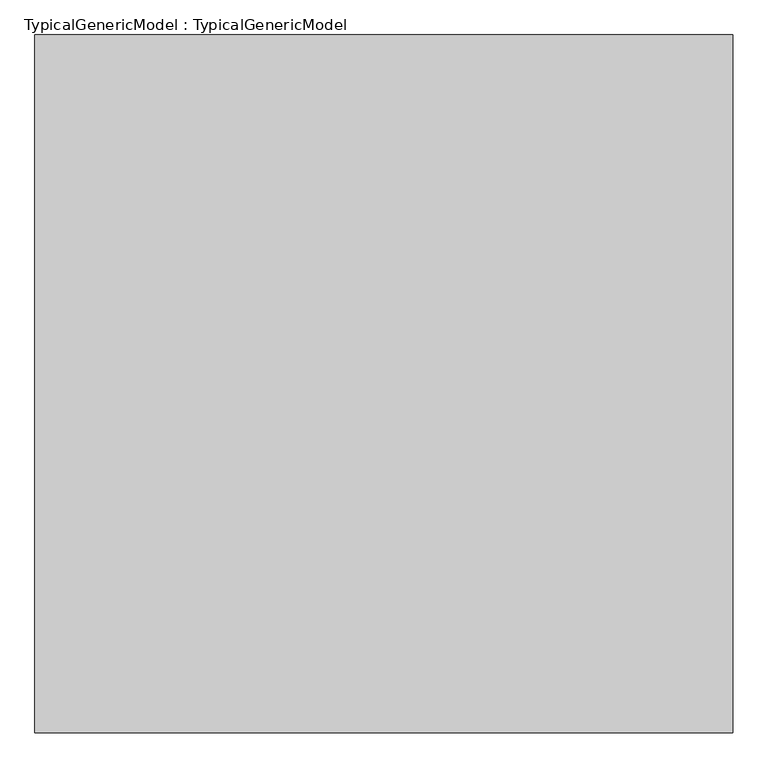
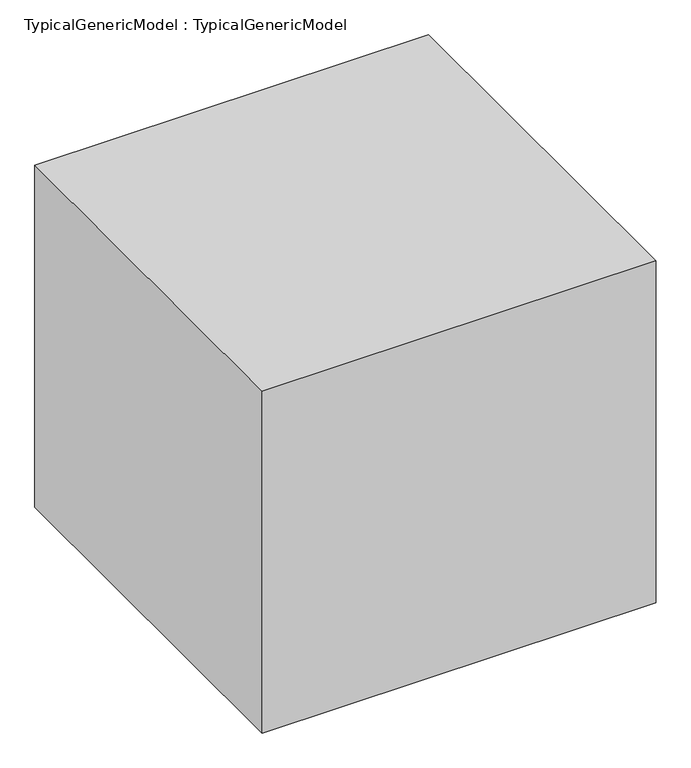
"""IFC4 building model written with IfcOpenShell, lengths in millimetres: proxy geometry, TypicalGenericModel : TypicalGenericModel."""

from ifc_helpers import new_model, si_unit, origin, origin_with_axes, place, context, project, spatial, polyline, outline, extrude, source, transform, mapped, element, save


def typicalgenericmodel_typicalgenericmodel_eed264eb(model_context):
    return source(origin(), model_context, "Body", "SweptSolid", [
        extrude(outline(polyline([(-600.0, 600.0), (600.0, 600.0), (600.0, -600.0), (-600.0, -600.0), (-600.0, 600.0)])), origin_with_axes(), (0.0, 0.0, 1.0), 1100.0),
        extrude(outline(polyline([(500.0, 500.0), (500.0, -500.0), (-500.0, -500.0), (-500.0, 500.0), (500.0, 500.0)])), origin_with_axes(), (0.0, 0.0, 1.0), 1000.0),
    ])


if __name__ == "__main__":
    model = new_model("IFC4")
    model_context = context("Model", 3, world=origin())
    ifc_project = project(units=[si_unit("LENGTHUNIT", "METRE", prefix="MILLI")], contexts=[model_context])
    site = spatial("IfcSite", under=ifc_project)
    building = spatial("IfcBuilding", under=site)
    placement = place(None, origin())
    typicalgenericmodel_typicalgenericmodel_shape = typicalgenericmodel_typicalgenericmodel_eed264eb(model_context)
    element("IfcBuildingElementProxy", 1, Name="TypicalGenericModel : TypicalGenericModel", ObjectType="TypicalGenericModel : TypicalGenericModel", at=placement, inside=building, context=model_context, shape_type="MappedRepresentation", body=[
        mapped(typicalgenericmodel_typicalgenericmodel_shape, transform((0.0, 0.0, 0.0), x_axis=(1.0, 0.0, 0.0), y_axis=(0.0, 1.0, 0.0), z_axis=(0.0, 0.0, 1.0))),
    ])
    save(model, "model.ifc")
